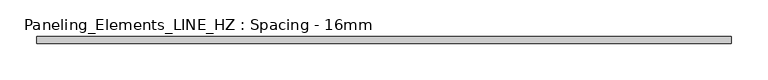
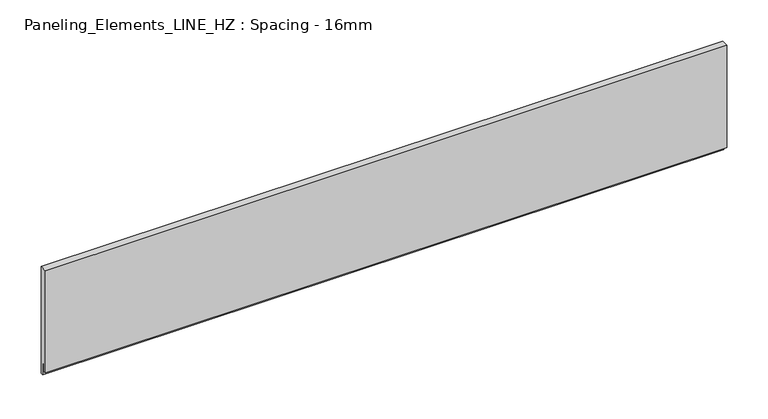
"""IFC4 building model written with IfcOpenShell, lengths in millimetres: plate geometry, Paneling_Elements_LINE_HZ : Spacing - 16mm."""

from ifc_helpers import new_model, si_unit, frame, origin, place, context, project, spatial, polyline, outline, extrude, source, transform, mapped, element, save


def paneling_elements_line_hz_spacing_16mm_a601750b(model_context):
    return source(origin(), model_context, "Body", "SweptSolid", [
        extrude(outline(polyline([(5.0, 151.0), (5.0, -7.0), (2.0, -7.0), (2.0, 11.0), (-1.0, 11.0), (-1.0, 0.0), (-5.0, 0.0), (-5.0, 151.0), (5.0, 151.0)])), frame((-475.5, 0.0, 0.0), z_axis=(1.0, 0.0, 0.0), x_axis=(0.0, 1.0, 0.0)), (0.0, 0.0, 1.0), 951.0),
    ])


if __name__ == "__main__":
    model = new_model("IFC4")
    model_context = context("Model", 3, world=origin())
    ifc_project = project(units=[si_unit("LENGTHUNIT", "METRE", prefix="MILLI")], contexts=[model_context])
    site = spatial("IfcSite", under=ifc_project)
    building = spatial("IfcBuilding", under=site)
    placement = place(None, origin())
    paneling_elements_line_hz_spacing_16mm_shape = paneling_elements_line_hz_spacing_16mm_a601750b(model_context)
    element("IfcPlate", 1, ObjectType="Paneling_Elements_LINE_HZ : Spacing - 16mm", at=placement, inside=building, context=model_context, shape_type="MappedRepresentation", body=[
        mapped(paneling_elements_line_hz_spacing_16mm_shape, transform((0.0, 0.0, 0.0), x_axis=(1.0, 0.0, 0.0), y_axis=(0.0, 1.0, 0.0), z_axis=(0.0, 0.0, 1.0))),
    ])
    save(model, "model.ifc")
